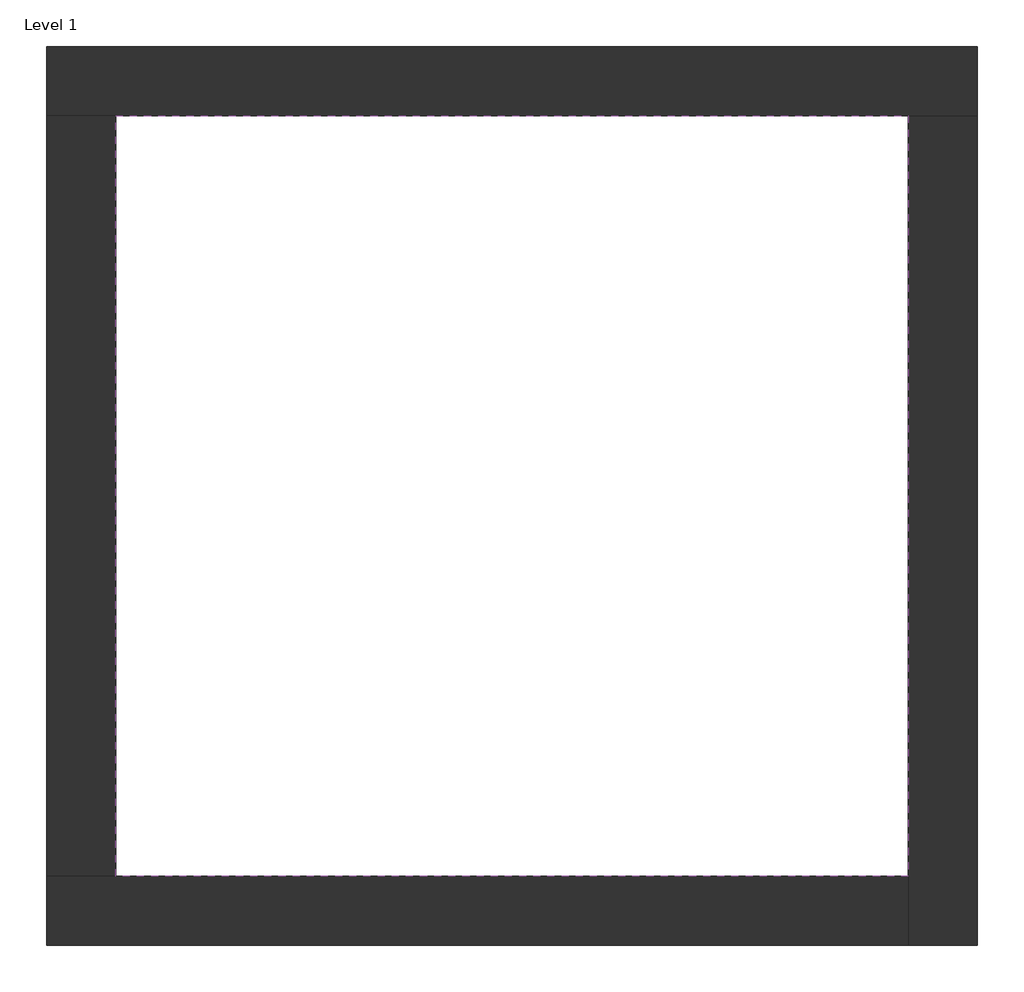
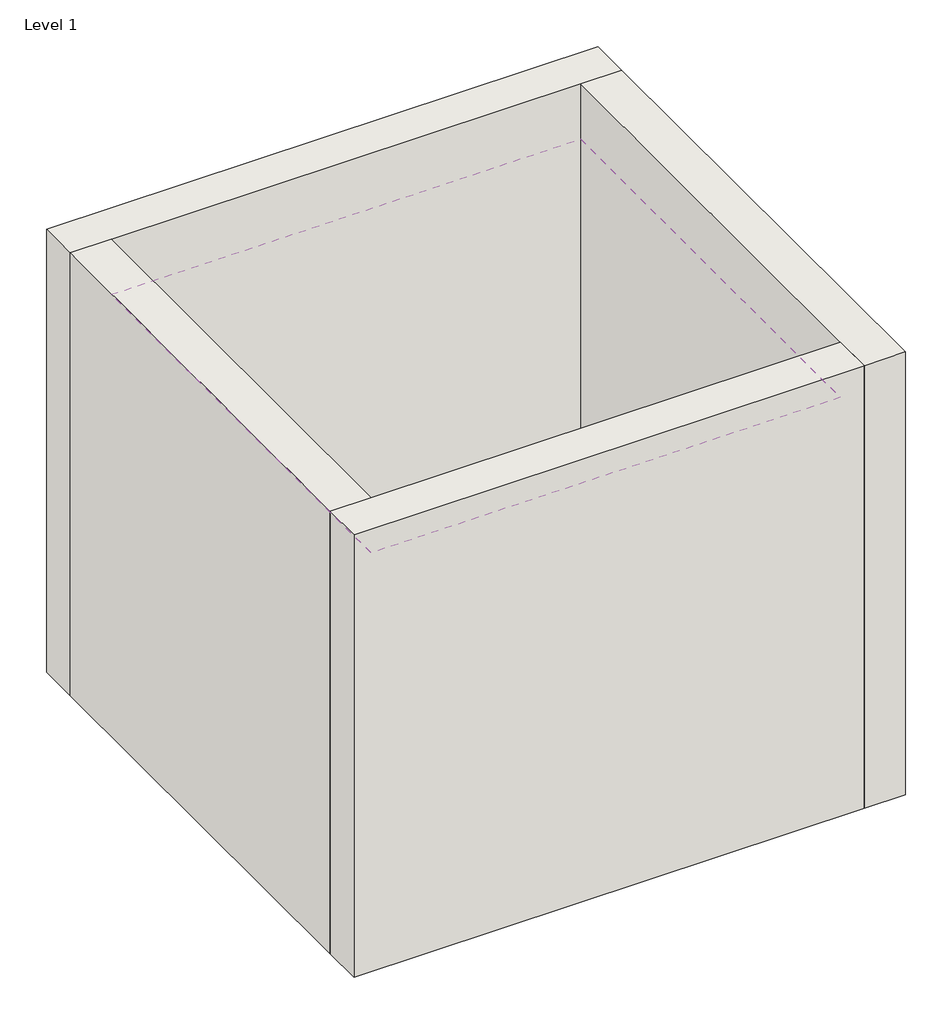
# One storey: 4 walls, 1 covering.
"""IFC4 building model written with IfcOpenShell, lengths in millimetres."""

from ifc_helpers import new_model, si_unit, frame, origin, origin_with_axes, place, context, project, spatial, polyline, outline, extrude, faceted_brep, element, save

model = new_model("IFC4")

# Units and contexts
model_context = context("Model", 3, world=origin())
ifc_project = project(units=[si_unit("LENGTHUNIT", "METRE", prefix="MILLI")], contexts=[model_context])

# Site, building, storey
site = spatial("IfcSite", under=ifc_project)
building = spatial("IfcBuilding", under=site)
storey = spatial("IfcBuildingStorey", under=building, Name="Level 1", Elevation=0.0)

# Covering
placement = place(None, origin())
element("IfcCovering", 1, ObjectType="CAP. 1 - SiH 03 - PLAFON", at=placement, inside=storey, context=model_context, shape_type="SweptSolid", body=[
    extrude(outline(polyline([(-14894.8573003, 6921.2750283), (-10882.3573003, 6921.2750283), (-10882.3573003, 3071.2750283), (-14894.8573003, 3071.2750283), (-14894.8573003, 6921.2750283)])), frame((0.0, 0.0, 3500.0), z_axis=(0.0, 0.0, 1.0), x_axis=(1.0, 0.0, 0.0)), (0.0, 0.0, 1.0), 64.7),
])

# Walls
element("IfcWall", 2, ObjectType="Exterior - Brick on Mtl. Stud", at=placement, inside=storey, context=model_context, shape_type="Brep", body=[
    faceted_brep([(-15244.8573003, 6921.2750283, 0.0), (-14894.8573003, 6921.2750283, 0.0), (-10882.3573003, 6921.2750283, 0.0), (-10532.3573003, 6921.2750283, 0.0), (-10532.3573003, 6921.2750283, 4000.0), (-10882.3573003, 6921.2750283, 4000.0), (-14894.8573003, 6921.2750283, 4000.0), (-15244.8573003, 6921.2750283, 4000.0), (-15244.8573003, 7271.2750283, 0.0), (-15244.8573003, 7271.2750283, 4000.0), (-10532.3573003, 7271.2750283, 4000.0), (-10532.3573003, 7271.2750283, 0.0)], [[[0, 1, 2, 3, 4, 5, 6, 7]], [[8, 9, 10, 11]], [[3, 2, 1, 0, 8, 11]], [[7, 6, 5, 4, 10, 9]], [[0, 7, 9, 8]], [[4, 3, 11, 10]]]),
])
element("IfcWall", 3, ObjectType="Exterior - Brick on Mtl. Stud", at=placement, inside=storey, context=model_context, shape_type="Brep", body=[
    faceted_brep([(-10882.3573003, 6921.2750283, 0.0), (-10882.3573003, 3071.2750283, 0.0), (-10882.3573003, 2721.2750283, 0.0), (-10882.3573003, 2721.2750283, 4000.0), (-10882.3573003, 3071.2750283, 4000.0), (-10882.3573003, 6921.2750283, 4000.0), (-10532.3573003, 6921.2750283, 0.0), (-10532.3573003, 6921.2750283, 4000.0), (-10532.3573003, 2721.2750283, 4000.0), (-10532.3573003, 2721.2750283, 0.0)], [[[0, 1, 2, 3, 4, 5]], [[6, 7, 8, 9]], [[2, 1, 0, 6, 9]], [[5, 4, 3, 8, 7]], [[3, 2, 9, 8]], [[0, 5, 7, 6]]]),
])
element("IfcWall", 4, ObjectType="Exterior - Brick on Mtl. Stud", at=placement, inside=storey, context=model_context, shape_type="Brep", body=[
    faceted_brep([(-10882.3573003, 3071.2750283, 0.0), (-14894.8573003, 3071.2750283, 0.0), (-15244.8573003, 3071.2750283, 0.0), (-15244.8573003, 3071.2750283, 4000.0), (-14894.8573003, 3071.2750283, 4000.0), (-10882.3573003, 3071.2750283, 4000.0), (-10882.3573003, 2721.2750283, 0.0), (-10882.3573003, 2721.2750283, 4000.0), (-15244.8573003, 2721.2750283, 4000.0), (-15244.8573003, 2721.2750283, 0.0)], [[[0, 1, 2, 3, 4, 5]], [[6, 7, 8, 9]], [[2, 1, 0, 6, 9]], [[5, 4, 3, 8, 7]], [[3, 2, 9, 8]], [[0, 5, 7, 6]]]),
])
element("IfcWall", 5, ObjectType="Exterior - Brick on Mtl. Stud", at=placement, inside=storey, context=model_context, shape_type="SweptSolid", body=[
    extrude(outline(polyline([(-14894.8573003, 6921.2750283), (-14894.8573003, 3071.2750283), (-15244.8573003, 3071.2750283), (-15244.8573003, 6921.2750283), (-14894.8573003, 6921.2750283)])), origin_with_axes(), (0.0, 0.0, 1.0), 4000.0),
])

save(model, "model.ifc")
